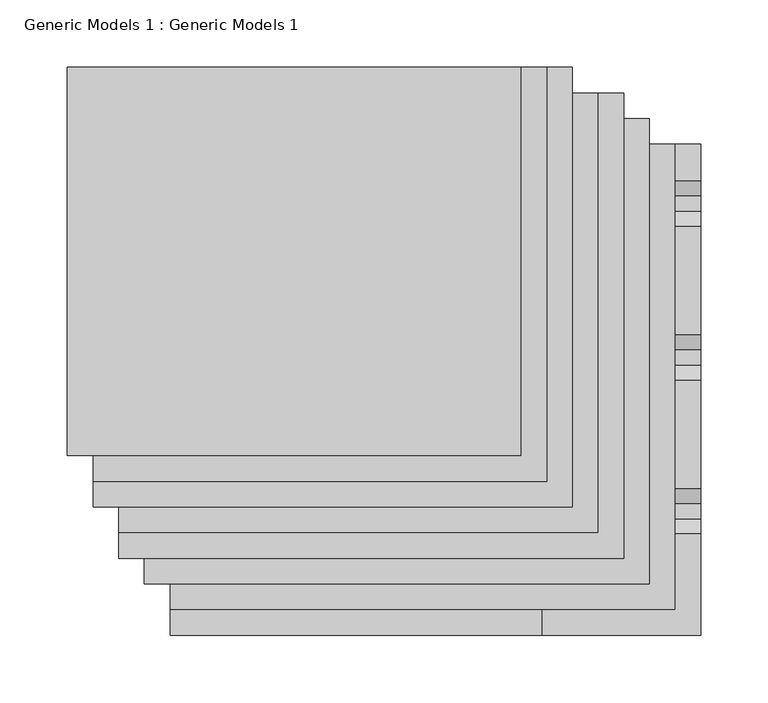
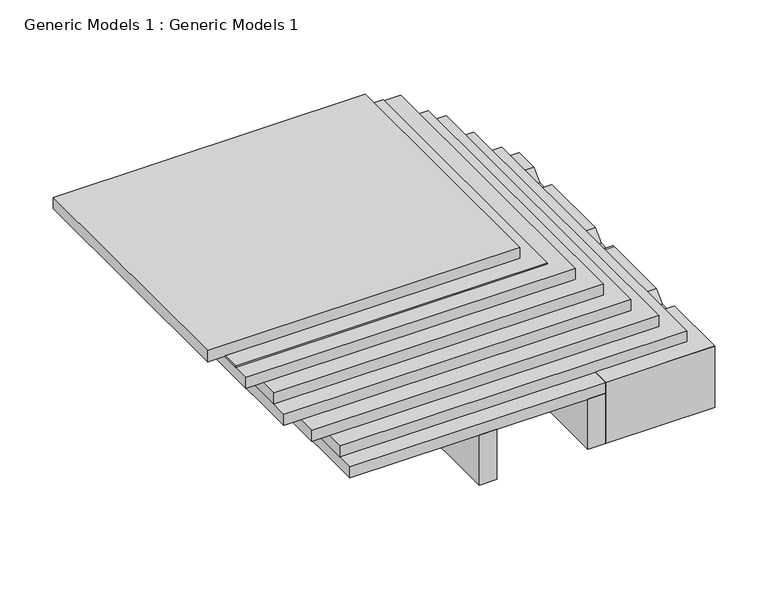
"""IFC4 building model written with IfcOpenShell, lengths in millimetres: proxy geometry, Generic Models 1 : Generic Models 1."""

import ifcopenshell
import ifcopenshell.guid

model = None  # the IFC model being written
_history = None  # IfcOwnerHistory: only IFC2X3 demands one
_inside = {}  # id of a spatial element -> (the spatial element, [elements in it])
_under = {}  # id of a project, library or spatial element -> (it, [spatial elements below it])
_declared = {}  # id of a project -> (the project, [libraries it declares])
_typed = {}  # id of a type object -> (the type object, [elements of that type])
_made_of = {}  # id of a material, layer set ... -> (it, [elements and type objects made of it])


def new_model(schema):
    """Start an empty IFC model of exactly this schema.

    Asked for "IFC4X3", IfcOpenShell would pick the latest addendum, in which some entities
    have other attributes; the version numbers below select the first issue.
    IFC2X3 requires an IfcOwnerHistory on every rooted entity: one is made here for all.
    """
    global model, _history
    if schema == "IFC4X3":
        model = ifcopenshell.file(schema_version=(4, 3, 0, 0))
    else:
        model = ifcopenshell.file(schema=schema)
    _inside.clear()
    _under.clear()
    _declared.clear()
    _typed.clear()
    _made_of.clear()
    _history = None
    if model.schema == "IFC2X3":
        org = make("IfcOrganization", Name="unknown")
        user = make(
            "IfcPersonAndOrganization",
            ThePerson=make("IfcPerson", FamilyName="unknown"),
            TheOrganization=org,
        )
        app = make(
            "IfcApplication",
            ApplicationDeveloper=org,
            Version="unknown",
            ApplicationFullName="unknown",
            ApplicationIdentifier="unknown",
        )
        _history = make(
            "IfcOwnerHistory",
            OwningUser=user,
            OwningApplication=app,
            ChangeAction="ADDED",
            CreationDate=0,
        )
    return model


def make(cls, **values):
    """One entity of the class cls with the attributes given. An attribute that is None is left unset."""
    return model.create_entity(
        cls, **{name: value for name, value in values.items() if value is not None}
    )


def rooted(cls, **values):
    """An entity with a GlobalId (a new one), such as an element, a storey or a relation."""
    return make(cls, GlobalId=ifcopenshell.guid.new(), OwnerHistory=_history, **values)


def si_unit(unit_type, name, prefix=None):
    """IfcSIUnit, for example si_unit("LENGTHUNIT", "METRE", prefix="MILLI")."""
    return make("IfcSIUnit", UnitType=unit_type, Prefix=prefix, Name=name)


def assignment(units):
    """IfcUnitAssignment: the units of a project."""
    return None if units is None else make("IfcUnitAssignment", Units=units)


def point(xyz):
    """IfcCartesianPoint."""
    return None if xyz is None else make("IfcCartesianPoint", Coordinates=xyz)


def direction(xyz):
    """IfcDirection."""
    return None if xyz is None else make("IfcDirection", DirectionRatios=xyz)


def frame(location, z_axis=None, x_axis=None):
    """IfcAxis2Placement3D, a coordinate frame: its origin and axes. An axis left out is left unset."""
    return make(
        "IfcAxis2Placement3D",
        Location=point(location),
        Axis=direction(z_axis),
        RefDirection=direction(x_axis),
    )


def origin():
    """The frame at (0, 0, 0) with its axes left unset."""
    return frame((0.0, 0.0, 0.0))


def place(relative_to, where):
    """IfcLocalPlacement: puts the frame where relative to a parent placement (None: the world)."""
    return make(
        "IfcLocalPlacement", PlacementRelTo=relative_to, RelativePlacement=where
    )


def context(
    kind, dimensions, precision=None, world=None, true_north=None, identifier=None
):
    """IfcGeometricRepresentationContext, for example the 3D "Model" context."""
    return make(
        "IfcGeometricRepresentationContext",
        ContextIdentifier=identifier,
        ContextType=kind,
        CoordinateSpaceDimension=dimensions,
        Precision=precision,
        WorldCoordinateSystem=world,
        TrueNorth=true_north,
    )


def project(units=None, contexts=None):
    """IfcProject with its units and contexts."""
    return rooted(
        "IfcProject",
        Name="project",
        RepresentationContexts=contexts,
        UnitsInContext=assignment(units),
    )


def spatial(cls, under=None, at=None, **own):
    """A site, building, storey or space (cls), placed at a placement, below another one or the project."""
    s = rooted(cls, ObjectPlacement=at, **own)
    if under is not None:
        _under.setdefault(under.id(), (under, []))[1].append(s)
    return s


def polyline(points):
    """IfcPolyline through the points."""
    return make("IfcPolyline", Points=[point(p) for p in points])


def outline(outer, holes=None, kind="AREA"):
    """IfcArbitraryClosedProfileDef: a profile drawn as a closed curve; with holes, ...WithVoids."""
    if holes is None:
        return make("IfcArbitraryClosedProfileDef", ProfileType=kind, OuterCurve=outer)
    return make(
        "IfcArbitraryProfileDefWithVoids",
        ProfileType=kind,
        OuterCurve=outer,
        InnerCurves=holes,
    )


def extrude(swept, where, along, depth):
    """IfcExtrudedAreaSolid: the profile swept, set in the frame where, extruded along a direction by depth."""
    return make(
        "IfcExtrudedAreaSolid",
        SweptArea=swept,
        Position=where,
        ExtrudedDirection=direction(along),
        Depth=depth,
    )


def shape(context_of_items, identifier, shape_type, items):
    """IfcShapeRepresentation: the items that make up one representation, for example the "Body"."""
    return make(
        "IfcShapeRepresentation",
        ContextOfItems=context_of_items,
        RepresentationIdentifier=identifier,
        RepresentationType=shape_type,
        Items=items,
    )


def source(mapping_origin, context_of_items, identifier, shape_type, items):
    """IfcRepresentationMap: a shape defined once, which mapped items show again and again."""
    return make(
        "IfcRepresentationMap",
        MappingOrigin=mapping_origin,
        MappedRepresentation=shape(context_of_items, identifier, shape_type, items),
    )


def transform(
    local_origin,
    x_axis=None,
    y_axis=None,
    z_axis=None,
    scale=None,
    scale2=None,
    scale3=None,
    uniform=True,
):
    """IfcCartesianTransformationOperator3D, or its non-uniform kind. x_axis, y_axis, z_axis: its Axis1, 2, 3."""
    if uniform:
        return make(
            "IfcCartesianTransformationOperator3D",
            Axis1=direction(x_axis),
            Axis2=direction(y_axis),
            LocalOrigin=point(local_origin),
            Scale=scale,
            Axis3=direction(z_axis),
        )
    return make(
        "IfcCartesianTransformationOperator3DnonUniform",
        Axis1=direction(x_axis),
        Axis2=direction(y_axis),
        LocalOrigin=point(local_origin),
        Scale=scale,
        Axis3=direction(z_axis),
        Scale2=scale2,
        Scale3=scale3,
    )


def mapped(mapping_source, mapping_target):
    """IfcMappedItem: shows the shape of a source again, moved by a transform."""
    return make(
        "IfcMappedItem", MappingSource=mapping_source, MappingTarget=mapping_target
    )


def made_of(thing, what):
    """Note that an element or type object is made of a material, layer set ...; save() writes the relation."""
    if what is not None:
        _made_of.setdefault(what.id(), (what, []))[1].append(thing)
    return thing


def element(
    cls,
    number,
    at=None,
    inside=None,
    cuts=None,
    type_object=None,
    material=None,
    context=None,
    identifier="Body",
    shape_type=None,
    held_by="IfcProductDefinitionShape",
    body=None,
    shapes=None,
    **own,
):
    """One element of the class cls, such as IfcWall. Its Tag is "e" and its number.

    at: its placement. inside: the storey or other place that contains it. cuts: it is an
    opening in that element (IfcRelVoidsElement). A single representation is given by context,
    identifier, shape_type and body (its items); several are given by shapes. held_by: the class
    of the entity that holds the representations. save() writes the other relations.
    """
    e = rooted(cls, Tag="e%d" % number, ObjectPlacement=at, **own)
    if body is not None:
        shapes = [shape(context, identifier, shape_type, body)]
    if shapes is not None:
        e.Representation = make(held_by, Representations=shapes)
    if inside is not None:
        _inside.setdefault(inside.id(), (inside, []))[1].append(e)
    if cuts is not None:
        rooted(
            "IfcRelVoidsElement", RelatingBuildingElement=cuts, RelatedOpeningElement=e
        )
    if type_object is not None:
        _typed.setdefault(type_object.id(), (type_object, []))[1].append(e)
    return made_of(e, material)


def aggregate(whole, parts):
    """IfcRelAggregates: a whole, such as a stair, and the parts it consists of."""
    return rooted("IfcRelAggregates", RelatingObject=whole, RelatedObjects=parts)


def save(model, path):
    """Write the relations noted so far, then the file.

    IfcRelAggregates (storeys below a building ...), IfcRelContainedInSpatialStructure (elements
    in a storey), IfcRelDefinesByType, IfcRelAssociatesMaterial and IfcRelDeclares: one each for
    every whole, place, type object, material and project.
    """
    for whole, parts in _under.values():
        aggregate(whole, parts)
    for where, things in _inside.values():
        rooted(
            "IfcRelContainedInSpatialStructure",
            RelatedElements=things,
            RelatingStructure=where,
        )
    for kind, things in _typed.values():
        rooted("IfcRelDefinesByType", RelatedObjects=things, RelatingType=kind)
    for what, things in _made_of.values():
        rooted("IfcRelAssociatesMaterial", RelatedObjects=things, RelatingMaterial=what)
    for by, libraries in _declared.values():
        rooted("IfcRelDeclares", RelatingContext=by, RelatedDefinitions=libraries)
    model.write(path)


def generic_models_1_generic_models_1_227a9976(model_context):
    return source(origin(), model_context, "Body", "SweptSolid", [
        extrude(outline(polyline([(-139.7, 402.6288588), (215.9, 402.6288588), (215.9, 76.2), (-139.7, 76.2), (-139.7, 402.6288588)])), frame((0.0, 0.0, 140.49375), z_axis=(0.0, 0.0, 1.0), x_axis=(1.0, 0.0, 0.0)), (0.0, 0.0, 1.0), 12.7),
        extrude(outline(polyline([(-139.7, 402.6288588), (234.95, 402.6288588), (234.95, 57.15), (-139.7, 57.15), (-139.7, 402.6288588)])), frame((0.0, 0.0, 127.79375), z_axis=(0.0, 0.0, 1.0), x_axis=(1.0, 0.0, 0.0)), (0.0, 0.0, 1.0), 12.7),
        extrude(outline(polyline([(-120.65, 383.5788588), (254.0, 383.5788588), (254.0, 38.1), (-120.65, 38.1), (-120.65, 383.5788588)])), frame((0.0, 0.0, 114.3), z_axis=(0.0, 0.0, 1.0), x_axis=(1.0, 0.0, 0.0)), (0.0, 0.0, 1.0), 12.7),
        extrude(outline(polyline([(228.670593, 44.45), (196.920593, 76.2), (201.410721, 76.2), (231.845593, 45.7651281), (262.2804649, 76.2), (266.770593, 76.2), (235.020593, 44.45), (228.670593, 44.45)])), frame((287.3375, 0.0, 0.0), z_axis=(1.0, 0.0, 0.0), x_axis=(0.0, 1.0, 0.0)), (0.0, 0.0, 1.0), 3.175),
        extrude(outline(polyline([(110.7911863, 44.45), (79.0411863, 76.2), (83.5313144, 76.2), (113.9661863, 45.7651281), (144.4010583, 76.2), (148.8911863, 76.2), (117.1411863, 44.45), (110.7911863, 44.45)])), frame((287.3375, 0.0, 0.0), z_axis=(1.0, 0.0, 0.0), x_axis=(0.0, 1.0, 0.0)), (0.0, 0.0, 1.0), 3.175),
        extrude(outline(polyline([(364.5288588, 88.9), (364.5288588, 76.2), (25.4, 76.2), (12.7, 88.9), (364.5288588, 88.9)])), frame((285.75, 0.0, 0.0), z_axis=(1.0, 0.0, 0.0), x_axis=(0.0, 1.0, 0.0)), (0.0, 0.0, 1.0), 6.35),
        extrude(outline(polyline([(364.5288588, 31.75), (69.85, 31.75), (57.15, 44.45), (364.5288588, 44.45), (364.5288588, 31.75)])), frame((285.75, 0.0, 0.0), z_axis=(1.0, 0.0, 0.0), x_axis=(0.0, 1.0, 0.0)), (0.0, 0.0, 1.0), 6.35),
        extrude(outline(polyline([(75.3364053, 101.6), (86.4489053, 90.4875), (97.8337772, 90.4875), (108.9462772, 101.6), (189.6364053, 101.6), (200.7489053, 90.4875), (212.1337772, 90.4875), (223.2462772, 101.6), (303.9364053, 101.6), (315.0489053, 90.4875), (326.4337772, 90.4875), (337.5462772, 101.6), (364.5288588, 101.6), (364.5288588, 100.0125), (338.2038412, 100.0125), (327.0913412, 88.9), (314.3913412, 88.9), (303.2788412, 100.0125), (223.9038412, 100.0125), (212.7913412, 88.9), (200.0913412, 88.9), (188.9788412, 100.0125), (109.6038412, 100.0125), (98.4913412, 88.9), (85.7913412, 88.9), (74.6788412, 100.0125), (1.5875, 100.0125), (0.0, 101.6), (75.3364053, 101.6)])), frame((174.625, 0.0, 0.0), z_axis=(1.0, 0.0, 0.0), x_axis=(0.0, 1.0, 0.0)), (0.0, 0.0, 1.0), 117.475),
        extrude(outline(polyline([(0.0, 31.75), (0.0, 101.6), (69.85, 31.75), (0.0, 31.75)])), frame((174.625, 0.0, 0.0), z_axis=(1.0, 0.0, 0.0), x_axis=(0.0, 1.0, 0.0)), (0.0, 0.0, 1.0), 117.475),
        extrude(outline(polyline([(-158.75, 421.6788588), (177.8, 421.6788588), (177.8, 114.3), (-158.75, 114.3), (-158.75, 421.6788588)])), frame((0.0, 0.0, 165.89375), z_axis=(0.0, 0.0, 1.0), x_axis=(1.0, 0.0, 0.0)), (0.0, 0.0, 1.0), 1.5875),
        extrude(outline(polyline([(-177.8, 421.6788588), (158.75, 421.6788588), (158.75, 133.35), (-177.8, 133.35), (-177.8, 421.6788588)])), frame((0.0, 0.0, 167.48125), z_axis=(0.0, 0.0, 1.0), x_axis=(1.0, 0.0, 0.0)), (0.0, 0.0, 1.0), 12.7),
        extrude(outline(polyline([(-158.75, 421.6788588), (196.85, 421.6788588), (196.85, 95.25), (-158.75, 95.25), (-158.75, 421.6788588)])), frame((0.0, 0.0, 153.19375), z_axis=(0.0, 0.0, 1.0), x_axis=(1.0, 0.0, 0.0)), (0.0, 0.0, 1.0), 12.7),
        extrude(outline(polyline([(-101.6, 364.5288588), (273.05, 364.5288588), (273.05, 19.05), (-101.6, 19.05), (-101.6, 364.5288588)])), frame((0.0, 0.0, 101.6), z_axis=(0.0, 0.0, 1.0), x_axis=(1.0, 0.0, 0.0)), (0.0, 0.0, 1.0), 12.7),
        extrude(outline(polyline([(57.15, 0.0), (38.1, 0.0), (38.1, 261.3017557), (57.15, 261.3017557), (57.15, 0.0)])), frame((0.0, 0.0, 31.75), z_axis=(0.0, 0.0, 1.0), x_axis=(1.0, 0.0, 0.0)), (0.0, 0.0, 1.0), 57.15),
        extrude(outline(polyline([(174.625, 0.0), (155.575, 0.0), (155.575, 261.3017557), (174.625, 261.3017557), (174.625, 0.0)])), frame((0.0, 0.0, 31.75), z_axis=(0.0, 0.0, 1.0), x_axis=(1.0, 0.0, 0.0)), (0.0, 0.0, 1.0), 57.15),
        extrude(outline(polyline([(-101.6, 364.5288588), (174.625, 364.5288588), (174.625, 0.0), (-101.6, 0.0), (-101.6, 364.5288588)])), frame((0.0, 0.0, 88.9), z_axis=(0.0, 0.0, 1.0), x_axis=(1.0, 0.0, 0.0)), (0.0, 0.0, 1.0), 12.7),
    ])


if __name__ == "__main__":
    model = new_model("IFC4")
    model_context = context("Model", 3, world=origin())
    ifc_project = project(units=[si_unit("LENGTHUNIT", "METRE", prefix="MILLI")], contexts=[model_context])
    site = spatial("IfcSite", under=ifc_project)
    building = spatial("IfcBuilding", under=site)
    placement = place(None, origin())
    generic_models_1_generic_models_1_shape = generic_models_1_generic_models_1_227a9976(model_context)
    element("IfcBuildingElementProxy", 1, Name="Generic Models 1 : Generic Models 1", ObjectType="Generic Models 1 : Generic Models 1", at=placement, inside=building, context=model_context, shape_type="MappedRepresentation", body=[
        mapped(generic_models_1_generic_models_1_shape, transform((0.0, 0.0, 0.0), x_axis=(1.0, 0.0, 0.0), y_axis=(0.0, 1.0, 0.0), z_axis=(0.0, 0.0, 1.0))),
    ])
    save(model, "model.ifc")
